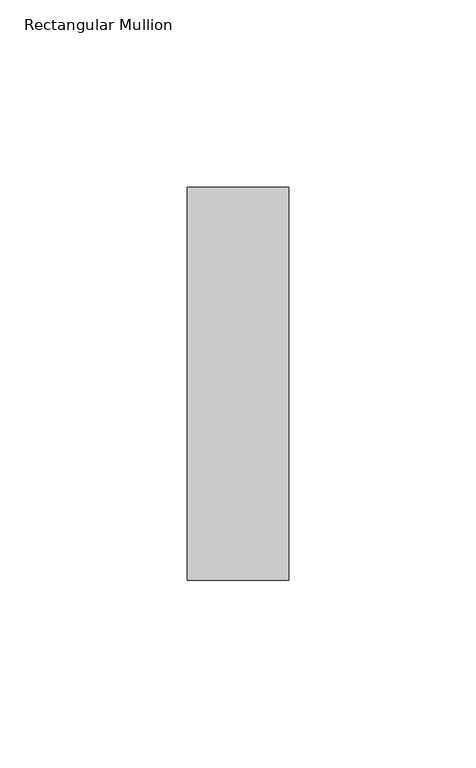
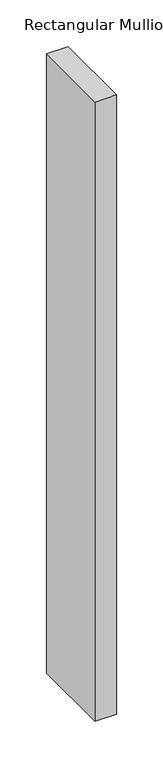
"""IFC4 building model written with IfcOpenShell, lengths in millimetres: member geometry, Rectangular Mullion."""

import ifcopenshell
import ifcopenshell.guid

model = None  # the IFC model being written
_history = None  # IfcOwnerHistory: only IFC2X3 demands one
_inside = {}  # id of a spatial element -> (the spatial element, [elements in it])
_under = {}  # id of a project, library or spatial element -> (it, [spatial elements below it])
_declared = {}  # id of a project -> (the project, [libraries it declares])
_typed = {}  # id of a type object -> (the type object, [elements of that type])
_made_of = {}  # id of a material, layer set ... -> (it, [elements and type objects made of it])


def new_model(schema):
    """Start an empty IFC model of exactly this schema.

    Asked for "IFC4X3", IfcOpenShell would pick the latest addendum, in which some entities
    have other attributes; the version numbers below select the first issue.
    IFC2X3 requires an IfcOwnerHistory on every rooted entity: one is made here for all.
    """
    global model, _history
    if schema == "IFC4X3":
        model = ifcopenshell.file(schema_version=(4, 3, 0, 0))
    else:
        model = ifcopenshell.file(schema=schema)
    _inside.clear()
    _under.clear()
    _declared.clear()
    _typed.clear()
    _made_of.clear()
    _history = None
    if model.schema == "IFC2X3":
        org = make("IfcOrganization", Name="unknown")
        user = make(
            "IfcPersonAndOrganization",
            ThePerson=make("IfcPerson", FamilyName="unknown"),
            TheOrganization=org,
        )
        app = make(
            "IfcApplication",
            ApplicationDeveloper=org,
            Version="unknown",
            ApplicationFullName="unknown",
            ApplicationIdentifier="unknown",
        )
        _history = make(
            "IfcOwnerHistory",
            OwningUser=user,
            OwningApplication=app,
            ChangeAction="ADDED",
            CreationDate=0,
        )
    return model


def make(cls, **values):
    """One entity of the class cls with the attributes given. An attribute that is None is left unset."""
    return model.create_entity(
        cls, **{name: value for name, value in values.items() if value is not None}
    )


def rooted(cls, **values):
    """An entity with a GlobalId (a new one), such as an element, a storey or a relation."""
    return make(cls, GlobalId=ifcopenshell.guid.new(), OwnerHistory=_history, **values)


def si_unit(unit_type, name, prefix=None):
    """IfcSIUnit, for example si_unit("LENGTHUNIT", "METRE", prefix="MILLI")."""
    return make("IfcSIUnit", UnitType=unit_type, Prefix=prefix, Name=name)


def assignment(units):
    """IfcUnitAssignment: the units of a project."""
    return None if units is None else make("IfcUnitAssignment", Units=units)


def point(xyz):
    """IfcCartesianPoint."""
    return None if xyz is None else make("IfcCartesianPoint", Coordinates=xyz)


def direction(xyz):
    """IfcDirection."""
    return None if xyz is None else make("IfcDirection", DirectionRatios=xyz)


def frame(location, z_axis=None, x_axis=None):
    """IfcAxis2Placement3D, a coordinate frame: its origin and axes. An axis left out is left unset."""
    return make(
        "IfcAxis2Placement3D",
        Location=point(location),
        Axis=direction(z_axis),
        RefDirection=direction(x_axis),
    )


def origin():
    """The frame at (0, 0, 0) with its axes left unset."""
    return frame((0.0, 0.0, 0.0))


def place(relative_to, where):
    """IfcLocalPlacement: puts the frame where relative to a parent placement (None: the world)."""
    return make(
        "IfcLocalPlacement", PlacementRelTo=relative_to, RelativePlacement=where
    )


def context(
    kind, dimensions, precision=None, world=None, true_north=None, identifier=None
):
    """IfcGeometricRepresentationContext, for example the 3D "Model" context."""
    return make(
        "IfcGeometricRepresentationContext",
        ContextIdentifier=identifier,
        ContextType=kind,
        CoordinateSpaceDimension=dimensions,
        Precision=precision,
        WorldCoordinateSystem=world,
        TrueNorth=true_north,
    )


def project(units=None, contexts=None):
    """IfcProject with its units and contexts."""
    return rooted(
        "IfcProject",
        Name="project",
        RepresentationContexts=contexts,
        UnitsInContext=assignment(units),
    )


def spatial(cls, under=None, at=None, **own):
    """A site, building, storey or space (cls), placed at a placement, below another one or the project."""
    s = rooted(cls, ObjectPlacement=at, **own)
    if under is not None:
        _under.setdefault(under.id(), (under, []))[1].append(s)
    return s


def polyline(points):
    """IfcPolyline through the points."""
    return make("IfcPolyline", Points=[point(p) for p in points])


def outline(outer, holes=None, kind="AREA"):
    """IfcArbitraryClosedProfileDef: a profile drawn as a closed curve; with holes, ...WithVoids."""
    if holes is None:
        return make("IfcArbitraryClosedProfileDef", ProfileType=kind, OuterCurve=outer)
    return make(
        "IfcArbitraryProfileDefWithVoids",
        ProfileType=kind,
        OuterCurve=outer,
        InnerCurves=holes,
    )


def extrude(swept, where, along, depth):
    """IfcExtrudedAreaSolid: the profile swept, set in the frame where, extruded along a direction by depth."""
    return make(
        "IfcExtrudedAreaSolid",
        SweptArea=swept,
        Position=where,
        ExtrudedDirection=direction(along),
        Depth=depth,
    )


def shape(context_of_items, identifier, shape_type, items):
    """IfcShapeRepresentation: the items that make up one representation, for example the "Body"."""
    return make(
        "IfcShapeRepresentation",
        ContextOfItems=context_of_items,
        RepresentationIdentifier=identifier,
        RepresentationType=shape_type,
        Items=items,
    )


def source(mapping_origin, context_of_items, identifier, shape_type, items):
    """IfcRepresentationMap: a shape defined once, which mapped items show again and again."""
    return make(
        "IfcRepresentationMap",
        MappingOrigin=mapping_origin,
        MappedRepresentation=shape(context_of_items, identifier, shape_type, items),
    )


def transform(
    local_origin,
    x_axis=None,
    y_axis=None,
    z_axis=None,
    scale=None,
    scale2=None,
    scale3=None,
    uniform=True,
):
    """IfcCartesianTransformationOperator3D, or its non-uniform kind. x_axis, y_axis, z_axis: its Axis1, 2, 3."""
    if uniform:
        return make(
            "IfcCartesianTransformationOperator3D",
            Axis1=direction(x_axis),
            Axis2=direction(y_axis),
            LocalOrigin=point(local_origin),
            Scale=scale,
            Axis3=direction(z_axis),
        )
    return make(
        "IfcCartesianTransformationOperator3DnonUniform",
        Axis1=direction(x_axis),
        Axis2=direction(y_axis),
        LocalOrigin=point(local_origin),
        Scale=scale,
        Axis3=direction(z_axis),
        Scale2=scale2,
        Scale3=scale3,
    )


def mapped(mapping_source, mapping_target):
    """IfcMappedItem: shows the shape of a source again, moved by a transform."""
    return make(
        "IfcMappedItem", MappingSource=mapping_source, MappingTarget=mapping_target
    )


def made_of(thing, what):
    """Note that an element or type object is made of a material, layer set ...; save() writes the relation."""
    if what is not None:
        _made_of.setdefault(what.id(), (what, []))[1].append(thing)
    return thing


def element(
    cls,
    number,
    at=None,
    inside=None,
    cuts=None,
    type_object=None,
    material=None,
    context=None,
    identifier="Body",
    shape_type=None,
    held_by="IfcProductDefinitionShape",
    body=None,
    shapes=None,
    **own,
):
    """One element of the class cls, such as IfcWall. Its Tag is "e" and its number.

    at: its placement. inside: the storey or other place that contains it. cuts: it is an
    opening in that element (IfcRelVoidsElement). A single representation is given by context,
    identifier, shape_type and body (its items); several are given by shapes. held_by: the class
    of the entity that holds the representations. save() writes the other relations.
    """
    e = rooted(cls, Tag="e%d" % number, ObjectPlacement=at, **own)
    if body is not None:
        shapes = [shape(context, identifier, shape_type, body)]
    if shapes is not None:
        e.Representation = make(held_by, Representations=shapes)
    if inside is not None:
        _inside.setdefault(inside.id(), (inside, []))[1].append(e)
    if cuts is not None:
        rooted(
            "IfcRelVoidsElement", RelatingBuildingElement=cuts, RelatedOpeningElement=e
        )
    if type_object is not None:
        _typed.setdefault(type_object.id(), (type_object, []))[1].append(e)
    return made_of(e, material)


def aggregate(whole, parts):
    """IfcRelAggregates: a whole, such as a stair, and the parts it consists of."""
    return rooted("IfcRelAggregates", RelatingObject=whole, RelatedObjects=parts)


def save(model, path):
    """Write the relations noted so far, then the file.

    IfcRelAggregates (storeys below a building ...), IfcRelContainedInSpatialStructure (elements
    in a storey), IfcRelDefinesByType, IfcRelAssociatesMaterial and IfcRelDeclares: one each for
    every whole, place, type object, material and project.
    """
    for whole, parts in _under.values():
        aggregate(whole, parts)
    for where, things in _inside.values():
        rooted(
            "IfcRelContainedInSpatialStructure",
            RelatedElements=things,
            RelatingStructure=where,
        )
    for kind, things in _typed.values():
        rooted("IfcRelDefinesByType", RelatedObjects=things, RelatingType=kind)
    for what, things in _made_of.values():
        rooted("IfcRelAssociatesMaterial", RelatedObjects=things, RelatingMaterial=what)
    for by, libraries in _declared.values():
        rooted("IfcRelDeclares", RelatingContext=by, RelatedDefinitions=libraries)
    model.write(path)


def rectangular_mullion_78f61e2c(model_context):
    return source(origin(), model_context, "Body", "SweptSolid", [
        extrude(outline(polyline([(0.0, 52.3975), (0.0, -52.3975), (-27.0, -52.3975), (-27.0, 52.3975), (0.0, 52.3975)])), frame((0.0, 0.0, -813.0), z_axis=(0.0, 0.0, 1.0), x_axis=(1.0, 0.0, 0.0)), (0.0, 0.0, 1.0), 813.0),
    ])


if __name__ == "__main__":
    model = new_model("IFC4")
    model_context = context("Model", 3, world=origin())
    ifc_project = project(units=[si_unit("LENGTHUNIT", "METRE", prefix="MILLI")], contexts=[model_context])
    site = spatial("IfcSite", under=ifc_project)
    building = spatial("IfcBuilding", under=site)
    placement = place(None, origin())
    rectangular_mullion_shape = rectangular_mullion_78f61e2c(model_context)
    element("IfcMember", 1, ObjectType="Rectangular Mullion", at=placement, inside=building, context=model_context, shape_type="MappedRepresentation", body=[
        mapped(rectangular_mullion_shape, transform((0.0, 0.0, 0.0), x_axis=(1.0, 0.0, 0.0), y_axis=(0.0, 1.0, 0.0), z_axis=(0.0, 0.0, 1.0))),
    ])
    save(model, "model.ifc")
